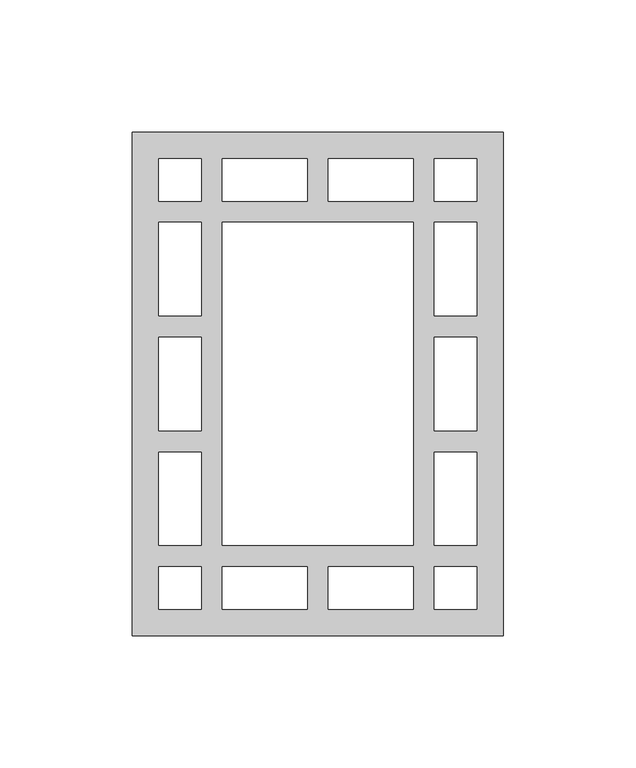
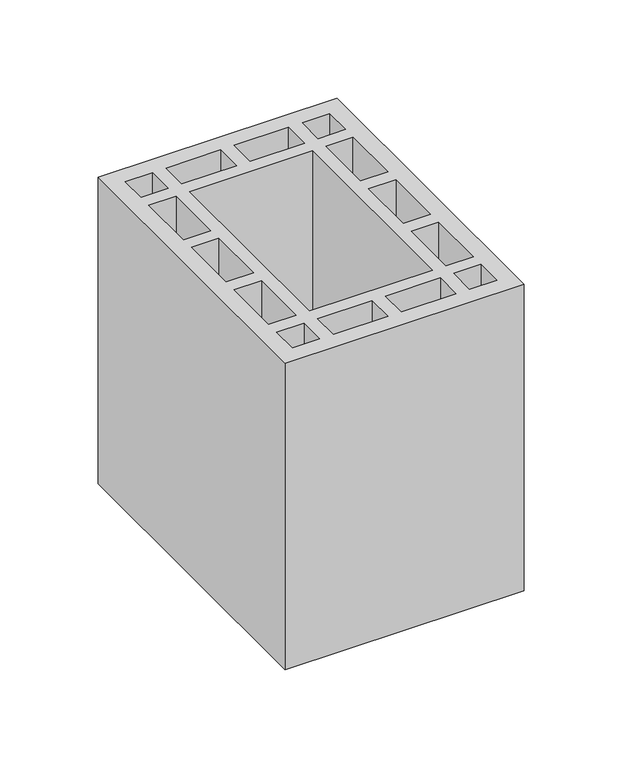
"""IFC4 building model written with IfcOpenShell, lengths in millimetres: proxy geometry."""

from ifc_helpers import new_model, si_unit, origin, origin_with_axes, place, context, project, spatial, polyline, outline, extrude, source, transform, mapped, element, save


def generic_models_417c35bc(model_context):
    return source(origin(), model_context, "Body", "SweptSolid", [
        extrude(outline(polyline([(140.0, 0.0), (0.0, 0.0), (0.0, 190.0), (140.0, 190.0), (140.0, 0.0)]), holes=[polyline([(114.0, 10.0), (130.0, 10.0), (130.0, 26.0), (114.0, 26.0), (114.0, 10.0)]), polyline([(26.0, 10.0), (26.0, 26.0), (10.0, 26.0), (10.0, 10.0), (26.0, 10.0)]), polyline([(114.0, 180.0), (114.0, 164.0), (130.0, 164.0), (130.0, 180.0), (114.0, 180.0)]), polyline([(26.0, 180.0), (10.0, 180.0), (10.0, 164.0), (26.0, 164.0), (26.0, 180.0)]), polyline([(106.0, 10.0), (106.0, 26.0), (74.0, 26.0), (74.0, 10.0), (106.0, 10.0)]), polyline([(34.0, 10.0), (66.0, 10.0), (66.0, 26.0), (34.0, 26.0), (34.0, 10.0)]), polyline([(106.0, 180.0), (74.0, 180.0), (74.0, 164.0), (106.0, 164.0), (106.0, 180.0)]), polyline([(34.0, 180.0), (34.0, 164.0), (66.0, 164.0), (66.0, 180.0), (34.0, 180.0)]), polyline([(34.0, 34.0), (106.0, 34.0), (106.0, 156.0), (34.0, 156.0), (34.0, 34.0)]), polyline([(130.0, 34.0), (130.0, 69.3), (114.0, 69.3), (114.0, 34.0), (130.0, 34.0)]), polyline([(114.0, 77.3), (130.0, 77.3), (130.0, 112.7), (114.0, 112.7), (114.0, 77.3)]), polyline([(130.0, 156.0), (114.0, 156.0), (114.0, 120.7), (130.0, 120.7), (130.0, 156.0)]), polyline([(10.0, 34.0), (26.0, 34.0), (26.0, 69.3), (10.0, 69.3), (10.0, 34.0)]), polyline([(26.0, 77.3), (26.0, 112.7), (10.0, 112.7), (10.0, 77.3), (26.0, 77.3)]), polyline([(10.0, 156.0), (10.0, 120.7), (26.0, 120.7), (26.0, 156.0), (10.0, 156.0)])]), origin_with_axes(), (0.0, 0.0, 1.0), 190.0),
    ])


if __name__ == "__main__":
    model = new_model("IFC4")
    model_context = context("Model", 3, world=origin())
    ifc_project = project(units=[si_unit("LENGTHUNIT", "METRE", prefix="MILLI")], contexts=[model_context])
    site = spatial("IfcSite", under=ifc_project)
    building = spatial("IfcBuilding", under=site)
    placement = place(None, origin())
    generic_models_shape = generic_models_417c35bc(model_context)
    element("IfcBuildingElementProxy", 1, Name="Generic Models", at=placement, inside=building, context=model_context, shape_type="MappedRepresentation", body=[
        mapped(generic_models_shape, transform((0.0, 0.0, 0.0), x_axis=(1.0, 0.0, 0.0), y_axis=(0.0, 1.0, 0.0), z_axis=(0.0, 0.0, 1.0))),
    ])
    save(model, "model.ifc")
